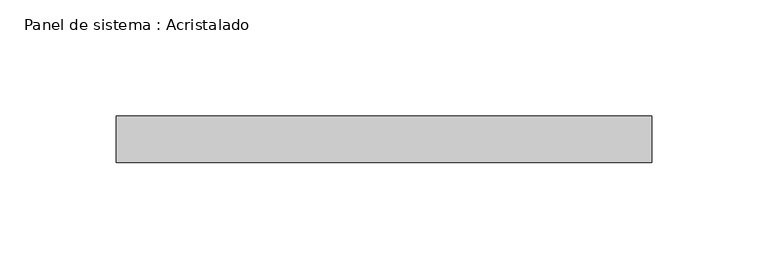
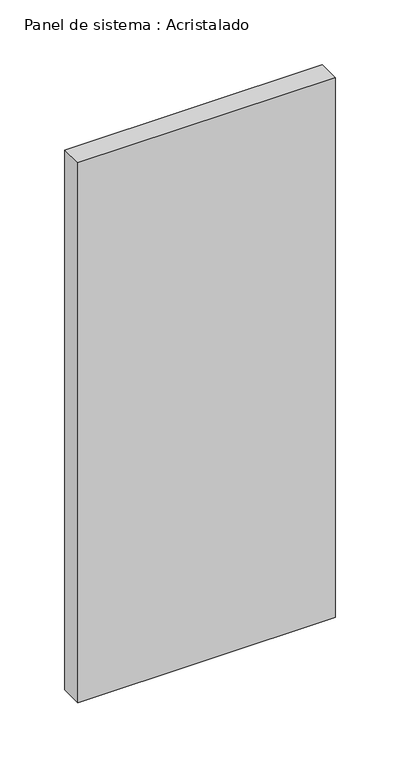
"""IFC4 building model written with IfcOpenShell, lengths in millimetres: plate geometry, Panel de sistema : Acristalado."""

from ifc_helpers import new_model, si_unit, origin, origin_with_axes, place, context, project, spatial, polyline, outline, extrude, source, transform, mapped, element, save


def panel_de_sistema_acristalado_053641b8(model_context):
    return source(origin(), model_context, "Body", "SweptSolid", [
        extrude(outline(polyline([(115.0, -10.0), (-115.0, -10.0), (-115.0, 10.0), (115.0, 10.0), (115.0, -10.0)])), origin_with_axes(), (0.0, 0.0, 1.0), 510.0),
    ])


if __name__ == "__main__":
    model = new_model("IFC4")
    model_context = context("Model", 3, world=origin())
    ifc_project = project(units=[si_unit("LENGTHUNIT", "METRE", prefix="MILLI")], contexts=[model_context])
    site = spatial("IfcSite", under=ifc_project)
    building = spatial("IfcBuilding", under=site)
    placement = place(None, origin())
    panel_de_sistema_acristalado_shape = panel_de_sistema_acristalado_053641b8(model_context)
    element("IfcPlate", 1, ObjectType="Panel de sistema : Acristalado", at=placement, inside=building, context=model_context, shape_type="MappedRepresentation", body=[
        mapped(panel_de_sistema_acristalado_shape, transform((0.0, 0.0, 0.0), x_axis=(1.0, 0.0, 0.0), y_axis=(0.0, 1.0, 0.0), z_axis=(0.0, 0.0, 1.0))),
    ])
    save(model, "model.ifc")
